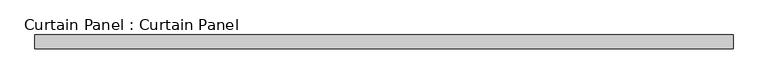
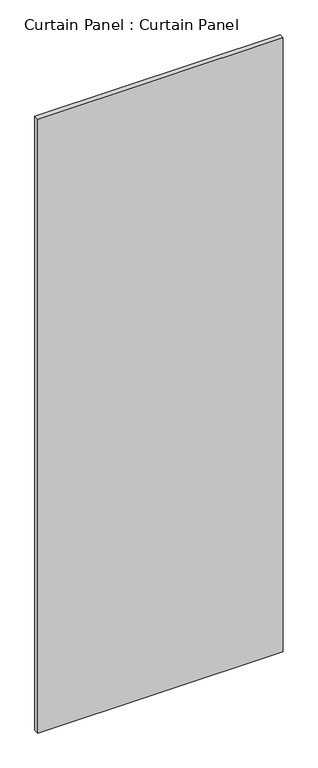
"""IFC4 building model written with IfcOpenShell, lengths in millimetres: plate geometry, Curtain Panel : Curtain Panel."""

from ifc_helpers import new_model, si_unit, frame, origin, place, context, project, spatial, polyline, outline, extrude, source, transform, mapped, element, save


def curtain_panel_curtain_panel_7d010491(model_context):
    return source(origin(), model_context, "Body", "SweptSolid", [
        extrude(outline(polyline([(-54267.6463418, -2001.8219224), (-55552.4487862, -2001.8219224), (-55552.4487862, -1976.4219224), (-54267.6463418, -1976.4219224), (-54267.6463418, -2001.8219224)])), frame((0.0, 0.0, 2734.9820395), z_axis=(0.0, 0.0, 1.0), x_axis=(1.0, 0.0, 0.0)), (0.0, 0.0, 1.0), 3394.0759577),
    ])


if __name__ == "__main__":
    model = new_model("IFC4")
    model_context = context("Model", 3, world=origin())
    ifc_project = project(units=[si_unit("LENGTHUNIT", "METRE", prefix="MILLI")], contexts=[model_context])
    site = spatial("IfcSite", under=ifc_project)
    building = spatial("IfcBuilding", under=site)
    placement = place(None, origin())
    curtain_panel_curtain_panel_shape = curtain_panel_curtain_panel_7d010491(model_context)
    element("IfcPlate", 1, ObjectType="Curtain Panel : Curtain Panel", at=placement, inside=building, context=model_context, shape_type="MappedRepresentation", body=[
        mapped(curtain_panel_curtain_panel_shape, transform((0.0, 0.0, 0.0), x_axis=(1.0, 0.0, 0.0), y_axis=(0.0, 1.0, 0.0), z_axis=(0.0, 0.0, 1.0))),
    ])
    save(model, "model.ifc")
